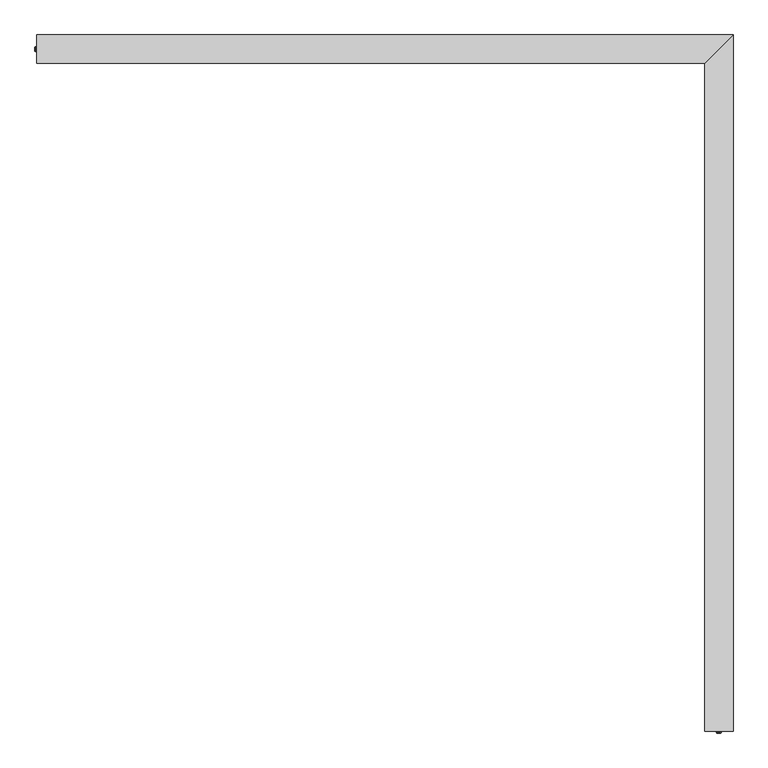
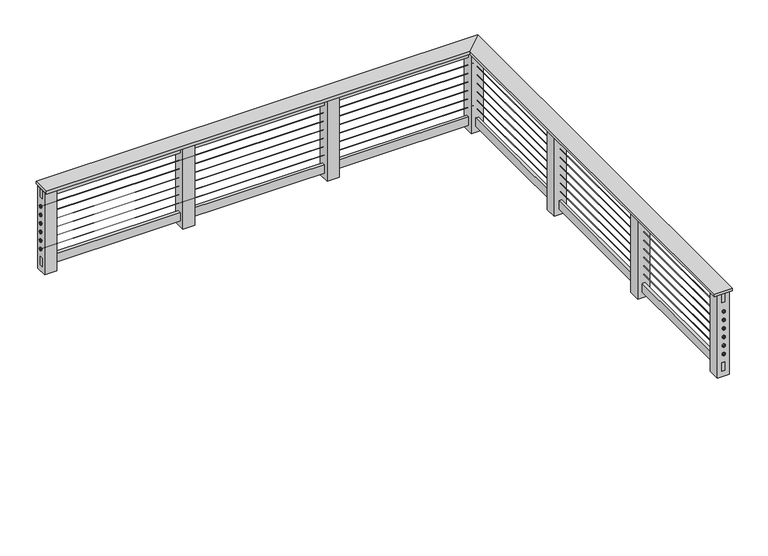
"""IFC4 building model written with IfcOpenShell, lengths in millimetres: railing geometry."""

from ifc_helpers import new_model, si_unit, point, frame, origin, origin_with_axes, place, context, project, spatial, polyline, circle_curve, ellipse_curve, trimmed, outline, extrude, faceted_brep, source, transform, mapped, element, save
from ifc_brep_helpers import plane_surface, cylinder_surface, revolved_surface, advanced_brep


def railing_3a9d6573(model_context):
    return source(origin(), model_context, "Body", "SolidModel", [
        faceted_brep([(-13704.6998867, 618.9400917, 762.0), (-13704.6998867, 771.3400917, 762.0), (-13704.6998867, 771.3400917, 736.6), (-13704.6998867, 618.9400917, 736.6), (-10123.2998867, 618.9400917, 762.0), (-9970.8998867, 771.3400917, 762.0), (-9970.8998867, 771.3400917, 736.6), (-10123.2998867, 618.9400917, 736.6), (-10123.2998867, -2962.4599083, 762.0), (-10123.2998867, -2962.4599083, 736.6), (-9970.8998867, -2962.4599083, 736.6), (-9970.8998867, -2962.4599083, 762.0)], [[[0, 1, 2, 3]], [[1, 0, 4, 5]], [[2, 1, 5, 6]], [[3, 2, 6, 7]], [[0, 3, 7, 4]], [[8, 9, 10, 11]], [[5, 4, 8, 11]], [[6, 5, 11, 10]], [[7, 6, 10, 9]], [[4, 7, 9, 8]]]),
        faceted_brep([(-13704.6998867, 682.4400917, 736.6), (-13704.6998867, 707.8400917, 736.6), (-13704.6998867, 707.8400917, 660.4), (-13704.6998867, 682.4400917, 660.4), (-10059.7998867, 682.4400917, 736.6), (-10034.3998867, 707.8400917, 736.6), (-10034.3998867, 707.8400917, 660.4), (-10059.7998867, 682.4400917, 660.4), (-10059.7998867, -2962.4599083, 736.6), (-10059.7998867, -2962.4599083, 660.4), (-10034.3998867, -2962.4599083, 660.4), (-10034.3998867, -2962.4599083, 736.6)], [[[0, 1, 2, 3]], [[1, 0, 4, 5]], [[2, 1, 5, 6]], [[3, 2, 6, 7]], [[0, 3, 7, 4]], [[8, 9, 10, 11]], [[5, 4, 8, 11]], [[6, 5, 11, 10]], [[7, 6, 10, 9]], [[4, 7, 9, 8]]]),
        advanced_brep(
        [(-13704.6998867, 696.6780114, 584.2), (-13704.6998867, 693.6021719, 584.2), (-10045.561967, 696.6780114, 584.2), (-10048.6378065, 693.6021719, 584.2), (-10045.561967, -2962.4599083, 584.2), (-10048.6378065, -2962.4599083, 584.2)],
        [
            (0, 1, circle_curve(frame((-13704.6998867, 695.1400917, 584.2), z_axis=(-1.0, 0.0, 0.0), x_axis=(0.0, -1.0, 0.0)), 1.5379197)),
            (1, 0, circle_curve(frame((-13704.6998867, 695.1400917, 584.2), z_axis=(-1.0, 0.0, 0.0), x_axis=(0.0, -1.0, 0.0)), 1.5379197)),
            (0, 2),
            (2, 3, ellipse_curve(frame((-10047.0998867, 695.1400917, 584.2), z_axis=(-0.7071067811865454, 0.7071067811865496, 0.0), x_axis=(-0.7071067811865497, -0.7071067811865454, 0.0)), 2.174947, 1.5379197)),
            (3, 1),
            (3, 2, ellipse_curve(frame((-10047.0998867, 695.1400917, 584.2), z_axis=(-0.7071067811865454, 0.7071067811865496, 0.0), x_axis=(-0.7071067811865497, -0.7071067811865454, 0.0)), 2.174947, 1.5379197)),
            (4, 5, circle_curve(frame((-10047.0998867, -2962.4599083, 584.2), z_axis=(0.0, -1.0, 0.0), x_axis=(-1.0, 0.0, 0.0)), 1.5379197)),
            (5, 4, circle_curve(frame((-10047.0998867, -2962.4599083, 584.2), z_axis=(0.0, -1.0, 0.0), x_axis=(-1.0, 0.0, 0.0)), 1.5379197)),
            (2, 4),
            (5, 3),
        ],
        [
            plane_surface(frame((-13704.6998867, 695.1400917, 584.2), z_axis=(-1.0, 0.0, 0.0), x_axis=(0.0, 1.0, 0.0))),
            cylinder_surface(frame((-13704.6998867, 695.1400917, 584.2), z_axis=(-1.0, 0.0, 0.0), x_axis=(0.0, -1.0, 0.0)), 1.5379197),
            plane_surface(frame((-10047.0998867, -2962.4599083, 584.2), z_axis=(0.0, -1.0, 0.0), x_axis=(0.0, 0.0, -1.0))),
            cylinder_surface(frame((-10047.0998867, 695.1400917, 584.2), z_axis=(0.0, 1.0, 0.0), x_axis=(-1.0, 0.0, 0.0)), 1.5379197),
        ],
        [
            (0, [[1, 2]]),
            (1, [[-1, 3, 4, 5]]),
            (1, [[-2, -5, 6, -3]]),
            (2, [[7, 8]]),
            (3, [[-4, 9, -8, 10]]),
            (3, [[-6, -10, -7, -9]]),
        ],
    ),
        advanced_brep(
        [(-13704.6998867, 696.6780114, 508.0), (-13704.6998867, 693.6021719, 508.0), (-10045.561967, 696.6780114, 508.0), (-10048.6378065, 693.6021719, 508.0), (-10045.561967, -2962.4599083, 508.0), (-10048.6378065, -2962.4599083, 508.0)],
        [
            (0, 1, circle_curve(frame((-13704.6998867, 695.1400917, 508.0), z_axis=(-1.0, 0.0, 0.0), x_axis=(0.0, -1.0, 0.0)), 1.5379197)),
            (1, 0, circle_curve(frame((-13704.6998867, 695.1400917, 508.0), z_axis=(-1.0, 0.0, 0.0), x_axis=(0.0, -1.0, 0.0)), 1.5379197)),
            (0, 2),
            (2, 3, ellipse_curve(frame((-10047.0998867, 695.1400917, 508.0), z_axis=(-0.7071067811865454, 0.7071067811865496, 0.0), x_axis=(-0.7071067811865497, -0.7071067811865454, 0.0)), 2.174947, 1.5379197)),
            (3, 1),
            (3, 2, ellipse_curve(frame((-10047.0998867, 695.1400917, 508.0), z_axis=(-0.7071067811865454, 0.7071067811865496, 0.0), x_axis=(-0.7071067811865497, -0.7071067811865454, 0.0)), 2.174947, 1.5379197)),
            (4, 5, circle_curve(frame((-10047.0998867, -2962.4599083, 508.0), z_axis=(0.0, -1.0, 0.0), x_axis=(-1.0, 0.0, 0.0)), 1.5379197)),
            (5, 4, circle_curve(frame((-10047.0998867, -2962.4599083, 508.0), z_axis=(0.0, -1.0, 0.0), x_axis=(-1.0, 0.0, 0.0)), 1.5379197)),
            (2, 4),
            (5, 3),
        ],
        [
            plane_surface(frame((-13704.6998867, 695.1400917, 508.0), z_axis=(-1.0, 0.0, 0.0), x_axis=(0.0, 1.0, 0.0))),
            cylinder_surface(frame((-13704.6998867, 695.1400917, 508.0), z_axis=(-1.0, 0.0, 0.0), x_axis=(0.0, -1.0, 0.0)), 1.5379197),
            plane_surface(frame((-10047.0998867, -2962.4599083, 508.0), z_axis=(0.0, -1.0, 0.0), x_axis=(0.0, 0.0, -1.0))),
            cylinder_surface(frame((-10047.0998867, 695.1400917, 508.0), z_axis=(0.0, 1.0, 0.0), x_axis=(-1.0, 0.0, 0.0)), 1.5379197),
        ],
        [
            (0, [[1, 2]]),
            (1, [[-1, 3, 4, 5]]),
            (1, [[-2, -5, 6, -3]]),
            (2, [[7, 8]]),
            (3, [[-4, 9, -8, 10]]),
            (3, [[-6, -10, -7, -9]]),
        ],
    ),
        advanced_brep(
        [(-13704.6998867, 696.6780114, 431.8), (-13704.6998867, 693.6021719, 431.8), (-10045.561967, 696.6780114, 431.8), (-10048.6378065, 693.6021719, 431.8), (-10045.561967, -2962.4599083, 431.8), (-10048.6378065, -2962.4599083, 431.8)],
        [
            (0, 1, circle_curve(frame((-13704.6998867, 695.1400917, 431.8), z_axis=(-1.0, 0.0, 0.0), x_axis=(0.0, -1.0, 0.0)), 1.5379197)),
            (1, 0, circle_curve(frame((-13704.6998867, 695.1400917, 431.8), z_axis=(-1.0, 0.0, 0.0), x_axis=(0.0, -1.0, 0.0)), 1.5379197)),
            (0, 2),
            (2, 3, ellipse_curve(frame((-10047.0998867, 695.1400917, 431.8), z_axis=(-0.7071067811865454, 0.7071067811865496, 0.0), x_axis=(-0.7071067811865497, -0.7071067811865454, 0.0)), 2.174947, 1.5379197)),
            (3, 1),
            (3, 2, ellipse_curve(frame((-10047.0998867, 695.1400917, 431.8), z_axis=(-0.7071067811865454, 0.7071067811865496, 0.0), x_axis=(-0.7071067811865497, -0.7071067811865454, 0.0)), 2.174947, 1.5379197)),
            (4, 5, circle_curve(frame((-10047.0998867, -2962.4599083, 431.8), z_axis=(0.0, -1.0, 0.0), x_axis=(-1.0, 0.0, 0.0)), 1.5379197)),
            (5, 4, circle_curve(frame((-10047.0998867, -2962.4599083, 431.8), z_axis=(0.0, -1.0, 0.0), x_axis=(-1.0, 0.0, 0.0)), 1.5379197)),
            (2, 4),
            (5, 3),
        ],
        [
            plane_surface(frame((-13704.6998867, 695.1400917, 431.8), z_axis=(-1.0, 0.0, 0.0), x_axis=(0.0, 1.0, 0.0))),
            cylinder_surface(frame((-13704.6998867, 695.1400917, 431.8), z_axis=(-1.0, 0.0, 0.0), x_axis=(0.0, -1.0, 0.0)), 1.5379197),
            plane_surface(frame((-10047.0998867, -2962.4599083, 431.8), z_axis=(0.0, -1.0, 0.0), x_axis=(0.0, 0.0, -1.0))),
            cylinder_surface(frame((-10047.0998867, 695.1400917, 431.8), z_axis=(0.0, 1.0, 0.0), x_axis=(-1.0, 0.0, 0.0)), 1.5379197),
        ],
        [
            (0, [[1, 2]]),
            (1, [[-1, 3, 4, 5]]),
            (1, [[-2, -5, 6, -3]]),
            (2, [[7, 8]]),
            (3, [[-4, 9, -8, 10]]),
            (3, [[-6, -10, -7, -9]]),
        ],
    ),
        advanced_brep(
        [(-13704.6998867, 696.6780114, 355.6), (-13704.6998867, 693.6021719, 355.6), (-10045.561967, 696.6780114, 355.6), (-10048.6378065, 693.6021719, 355.6), (-10045.561967, -2962.4599083, 355.6), (-10048.6378065, -2962.4599083, 355.6)],
        [
            (0, 1, circle_curve(frame((-13704.6998867, 695.1400917, 355.6), z_axis=(-1.0, 0.0, 0.0), x_axis=(0.0, -1.0, 0.0)), 1.5379197)),
            (1, 0, circle_curve(frame((-13704.6998867, 695.1400917, 355.6), z_axis=(-1.0, 0.0, 0.0), x_axis=(0.0, -1.0, 0.0)), 1.5379197)),
            (0, 2),
            (2, 3, ellipse_curve(frame((-10047.0998867, 695.1400917, 355.6), z_axis=(-0.7071067811865454, 0.7071067811865496, 0.0), x_axis=(-0.7071067811865497, -0.7071067811865454, 0.0)), 2.174947, 1.5379197)),
            (3, 1),
            (3, 2, ellipse_curve(frame((-10047.0998867, 695.1400917, 355.6), z_axis=(-0.7071067811865454, 0.7071067811865496, 0.0), x_axis=(-0.7071067811865497, -0.7071067811865454, 0.0)), 2.174947, 1.5379197)),
            (4, 5, circle_curve(frame((-10047.0998867, -2962.4599083, 355.6), z_axis=(0.0, -1.0, 0.0), x_axis=(-1.0, 0.0, 0.0)), 1.5379197)),
            (5, 4, circle_curve(frame((-10047.0998867, -2962.4599083, 355.6), z_axis=(0.0, -1.0, 0.0), x_axis=(-1.0, 0.0, 0.0)), 1.5379197)),
            (2, 4),
            (5, 3),
        ],
        [
            plane_surface(frame((-13704.6998867, 695.1400917, 355.6), z_axis=(-1.0, 0.0, 0.0), x_axis=(0.0, 1.0, 0.0))),
            cylinder_surface(frame((-13704.6998867, 695.1400917, 355.6), z_axis=(-1.0, 0.0, 0.0), x_axis=(0.0, -1.0, 0.0)), 1.5379197),
            plane_surface(frame((-10047.0998867, -2962.4599083, 355.6), z_axis=(0.0, -1.0, 0.0), x_axis=(0.0, 0.0, -1.0))),
            cylinder_surface(frame((-10047.0998867, 695.1400917, 355.6), z_axis=(0.0, 1.0, 0.0), x_axis=(-1.0, 0.0, 0.0)), 1.5379197),
        ],
        [
            (0, [[1, 2]]),
            (1, [[-1, 3, 4, 5]]),
            (1, [[-2, -5, 6, -3]]),
            (2, [[7, 8]]),
            (3, [[-4, 9, -8, 10]]),
            (3, [[-6, -10, -7, -9]]),
        ],
    ),
        advanced_brep(
        [(-13704.6998867, 696.6780114, 279.4), (-13704.6998867, 693.6021719, 279.4), (-10045.561967, 696.6780114, 279.4), (-10048.6378065, 693.6021719, 279.4), (-10045.561967, -2962.4599083, 279.4), (-10048.6378065, -2962.4599083, 279.4)],
        [
            (0, 1, circle_curve(frame((-13704.6998867, 695.1400917, 279.4), z_axis=(-1.0, 0.0, 0.0), x_axis=(0.0, -1.0, 0.0)), 1.5379197)),
            (1, 0, circle_curve(frame((-13704.6998867, 695.1400917, 279.4), z_axis=(-1.0, 0.0, 0.0), x_axis=(0.0, -1.0, 0.0)), 1.5379197)),
            (0, 2),
            (2, 3, ellipse_curve(frame((-10047.0998867, 695.1400917, 279.4), z_axis=(-0.7071067811865454, 0.7071067811865496, 0.0), x_axis=(-0.7071067811865497, -0.7071067811865454, 0.0)), 2.174947, 1.5379197)),
            (3, 1),
            (3, 2, ellipse_curve(frame((-10047.0998867, 695.1400917, 279.4), z_axis=(-0.7071067811865454, 0.7071067811865496, 0.0), x_axis=(-0.7071067811865497, -0.7071067811865454, 0.0)), 2.174947, 1.5379197)),
            (4, 5, circle_curve(frame((-10047.0998867, -2962.4599083, 279.4), z_axis=(0.0, -1.0, 0.0), x_axis=(-1.0, 0.0, 0.0)), 1.5379197)),
            (5, 4, circle_curve(frame((-10047.0998867, -2962.4599083, 279.4), z_axis=(0.0, -1.0, 0.0), x_axis=(-1.0, 0.0, 0.0)), 1.5379197)),
            (2, 4),
            (5, 3),
        ],
        [
            plane_surface(frame((-13704.6998867, 695.1400917, 279.4), z_axis=(-1.0, 0.0, 0.0), x_axis=(0.0, 1.0, 0.0))),
            cylinder_surface(frame((-13704.6998867, 695.1400917, 279.4), z_axis=(-1.0, 0.0, 0.0), x_axis=(0.0, -1.0, 0.0)), 1.5379197),
            plane_surface(frame((-10047.0998867, -2962.4599083, 279.4), z_axis=(0.0, -1.0, 0.0), x_axis=(0.0, 0.0, -1.0))),
            cylinder_surface(frame((-10047.0998867, 695.1400917, 279.4), z_axis=(0.0, 1.0, 0.0), x_axis=(-1.0, 0.0, 0.0)), 1.5379197),
        ],
        [
            (0, [[1, 2]]),
            (1, [[-1, 3, 4, 5]]),
            (1, [[-2, -5, 6, -3]]),
            (2, [[7, 8]]),
            (3, [[-4, 9, -8, 10]]),
            (3, [[-6, -10, -7, -9]]),
        ],
    ),
        advanced_brep(
        [(-13704.6998867, 696.6780114, 203.2), (-13704.6998867, 693.6021719, 203.2), (-10045.561967, 696.6780114, 203.2), (-10048.6378065, 693.6021719, 203.2), (-10045.561967, -2962.4599083, 203.2), (-10048.6378065, -2962.4599083, 203.2)],
        [
            (0, 1, circle_curve(frame((-13704.6998867, 695.1400917, 203.2), z_axis=(-1.0, 0.0, 0.0), x_axis=(0.0, -1.0, 0.0)), 1.5379197)),
            (1, 0, circle_curve(frame((-13704.6998867, 695.1400917, 203.2), z_axis=(-1.0, 0.0, 0.0), x_axis=(0.0, -1.0, 0.0)), 1.5379197)),
            (0, 2),
            (2, 3, ellipse_curve(frame((-10047.0998867, 695.1400917, 203.2), z_axis=(-0.7071067811865454, 0.7071067811865496, 0.0), x_axis=(-0.7071067811865497, -0.7071067811865454, 0.0)), 2.174947, 1.5379197)),
            (3, 1),
            (3, 2, ellipse_curve(frame((-10047.0998867, 695.1400917, 203.2), z_axis=(-0.7071067811865454, 0.7071067811865496, 0.0), x_axis=(-0.7071067811865497, -0.7071067811865454, 0.0)), 2.174947, 1.5379197)),
            (4, 5, circle_curve(frame((-10047.0998867, -2962.4599083, 203.2), z_axis=(0.0, -1.0, 0.0), x_axis=(-1.0, 0.0, 0.0)), 1.5379197)),
            (5, 4, circle_curve(frame((-10047.0998867, -2962.4599083, 203.2), z_axis=(0.0, -1.0, 0.0), x_axis=(-1.0, 0.0, 0.0)), 1.5379197)),
            (2, 4),
            (5, 3),
        ],
        [
            plane_surface(frame((-13704.6998867, 695.1400917, 203.2), z_axis=(-1.0, 0.0, 0.0), x_axis=(0.0, 1.0, 0.0))),
            cylinder_surface(frame((-13704.6998867, 695.1400917, 203.2), z_axis=(-1.0, 0.0, 0.0), x_axis=(0.0, -1.0, 0.0)), 1.5379197),
            plane_surface(frame((-10047.0998867, -2962.4599083, 203.2), z_axis=(0.0, -1.0, 0.0), x_axis=(0.0, 0.0, -1.0))),
            cylinder_surface(frame((-10047.0998867, 695.1400917, 203.2), z_axis=(0.0, 1.0, 0.0), x_axis=(-1.0, 0.0, 0.0)), 1.5379197),
        ],
        [
            (0, [[1, 2]]),
            (1, [[-1, 3, 4, 5]]),
            (1, [[-2, -5, 6, -3]]),
            (2, [[7, 8]]),
            (3, [[-4, 9, -8, 10]]),
            (3, [[-6, -10, -7, -9]]),
        ],
    ),
        faceted_brep([(-13704.6998867, 682.4400917, 127.0), (-13704.6998867, 707.8400917, 127.0), (-13704.6998867, 707.8400917, 50.8), (-13704.6998867, 682.4400917, 50.8), (-10059.7998867, 682.4400917, 127.0), (-10034.3998867, 707.8400917, 127.0), (-10034.3998867, 707.8400917, 50.8), (-10059.7998867, 682.4400917, 50.8), (-10059.7998867, -2962.4599083, 127.0), (-10059.7998867, -2962.4599083, 50.8), (-10034.3998867, -2962.4599083, 50.8), (-10034.3998867, -2962.4599083, 127.0)], [[[0, 1, 2, 3]], [[1, 0, 4, 5]], [[2, 1, 5, 6]], [[3, 2, 6, 7]], [[0, 3, 7, 4]], [[8, 9, 10, 11]], [[5, 4, 8, 11]], [[6, 5, 11, 10]], [[7, 6, 10, 9]], [[4, 7, 9, 8]]]),
        extrude(outline(polyline([(-10097.8998867, -1692.4599083), (-9996.2998867, -1692.4599083), (-9996.2998867, -1794.0599083), (-10097.8998867, -1794.0599083), (-10097.8998867, -1692.4599083)])), origin_with_axes(), (0.0, 0.0, 1.0), 736.6),
        extrude(outline(polyline([(-10097.8998867, -473.2599083), (-9996.2998867, -473.2599083), (-9996.2998867, -574.8599083), (-10097.8998867, -574.8599083), (-10097.8998867, -473.2599083)])), origin_with_axes(), (0.0, 0.0, 1.0), 736.6),
        extrude(outline(polyline([(-10097.8998867, 745.9400917), (-9996.2998867, 745.9400917), (-9996.2998867, 644.3400917), (-10097.8998867, 644.3400917), (-10097.8998867, 745.9400917)])), origin_with_axes(), (0.0, 0.0, 1.0), 736.6),
        extrude(outline(polyline([(-10097.8998867, 644.3400917), (-10097.8998867, 745.9400917), (-9996.2998867, 745.9400917), (-9996.2998867, 644.3400917), (-10097.8998867, 644.3400917)])), origin_with_axes(), (0.0, 0.0, 1.0), 736.6),
        extrude(outline(polyline([(-11317.0998867, 644.3400917), (-11317.0998867, 745.9400917), (-11215.4998867, 745.9400917), (-11215.4998867, 644.3400917), (-11317.0998867, 644.3400917)])), origin_with_axes(), (0.0, 0.0, 1.0), 736.6),
        extrude(outline(polyline([(-12536.2998867, 644.3400917), (-12536.2998867, 745.9400917), (-12434.6998867, 745.9400917), (-12434.6998867, 644.3400917), (-12536.2998867, 644.3400917)])), origin_with_axes(), (0.0, 0.0, 1.0), 736.6),
        advanced_brep(
        [(-10047.0998867, -2962.4599083, 279.0980455), (-10047.0998867, -2962.4599083, 266.3980455), (-10047.0998867, -2962.4599083, 291.7980455), (-10047.0998867, -2971.9849083, 269.5730455), (-10047.0998867, -2971.9849083, 279.0980455), (-10047.0998867, -2971.9849083, 288.6230455), (-10047.0998867, -2968.8099083, 266.3980455), (-10047.0998867, -2968.8099083, 291.7980455)],
        [
            (0, 1),
            (1, 2, circle_curve(frame((-10047.0998867, -2962.4599083, 279.0980455), z_axis=(0.0, 1.0, 0.0), x_axis=(0.0, 0.0, 1.0)), 12.7)),
            (2, 0),
            (2, 1, circle_curve(frame((-10047.0998867, -2962.4599083, 279.0980455), z_axis=(0.0, 1.0, 0.0), x_axis=(0.0, 0.0, 1.0)), 12.7)),
            (3, 4),
            (4, 5),
            (5, 3, circle_curve(frame((-10047.0998867, -2971.9849083, 279.0980455), z_axis=(0.0, -1.0, 0.0), x_axis=(0.0, 0.0, 1.0)), 9.525)),
            (3, 5, circle_curve(frame((-10047.0998867, -2971.9849083, 279.0980455), z_axis=(0.0, -1.0, 0.0), x_axis=(0.0, 0.0, 1.0)), 9.525)),
            (1, 6),
            (6, 7, circle_curve(frame((-10047.0998867, -2968.8099083, 279.0980455), z_axis=(0.0, 1.0, 0.0), x_axis=(0.0, 0.0, 1.0)), 12.7)),
            (7, 2),
            (7, 6, circle_curve(frame((-10047.0998867, -2968.8099083, 279.0980455), z_axis=(0.0, 1.0, 0.0), x_axis=(0.0, 0.0, 1.0)), 12.7)),
            (6, 3, circle_curve(frame((-10047.0998867, -2968.8099083, 269.5730455), z_axis=(-1.0, 0.0, 0.0), x_axis=(0.0, -1.0, 0.0)), 3.175)),
            (5, 7, circle_curve(frame((-10047.0998867, -2968.8099083, 288.6230455), z_axis=(-1.0, 0.0, 0.0), x_axis=(0.0, -1.0, 0.0)), 3.175)),
        ],
        [
            plane_surface(frame((-10047.0998867, -2962.4599083, 279.0980455), z_axis=(0.0, 1.0, 0.0), x_axis=(0.0, 0.0, 1.0))),
            plane_surface(frame((-10047.0998867, -2971.9849083, 279.0980455), z_axis=(0.0, -1.0, 0.0), x_axis=(0.0, 0.0, 1.0))),
            cylinder_surface(frame((-10047.0998867, -2962.4599083, 279.0980455), z_axis=(0.0, 1.0, 0.0), x_axis=(0.0, 0.0, 1.0)), 12.7),
            revolved_surface(trimmed(ellipse_curve(frame((-10047.0998867, -2968.8099083, 288.6230455), z_axis=(-1.0, 0.0, 0.0), x_axis=(0.0, -1.0, 0.0)), 3.175, 3.175), [point((-10047.0998867, -2971.9849083, 288.6230455))], [point((-10047.0998867, -2968.8099083, 291.7980455))], True, "CARTESIAN"), (-10047.0998867, -2962.4599083, 279.0980455), (0.0, 1.0, 0.0)),
        ],
        [
            (0, [[1, 2, 3]]),
            (0, [[-3, 4, -1]]),
            (1, [[5, 6, 7]]),
            (1, [[-6, -5, 8]]),
            (2, [[9, 10, 11, -2]]),
            (2, [[-11, 12, -9, -4]]),
            (3, [[13, -7, 14, -10]]),
            (3, [[-14, -8, -13, -12]]),
        ],
    ),
        advanced_brep(
        [(-10047.0998867, -2962.4599083, 355.2980455), (-10047.0998867, -2962.4599083, 342.5980455), (-10047.0998867, -2962.4599083, 367.9980455), (-10047.0998867, -2971.9849083, 345.7730455), (-10047.0998867, -2971.9849083, 355.2980455), (-10047.0998867, -2971.9849083, 364.8230455), (-10047.0998867, -2968.8099083, 342.5980455), (-10047.0998867, -2968.8099083, 367.9980455)],
        [
            (0, 1),
            (1, 2, circle_curve(frame((-10047.0998867, -2962.4599083, 355.2980455), z_axis=(0.0, 1.0, 0.0), x_axis=(0.0, 0.0, 1.0)), 12.7)),
            (2, 0),
            (2, 1, circle_curve(frame((-10047.0998867, -2962.4599083, 355.2980455), z_axis=(0.0, 1.0, 0.0), x_axis=(0.0, 0.0, 1.0)), 12.7)),
            (3, 4),
            (4, 5),
            (5, 3, circle_curve(frame((-10047.0998867, -2971.9849083, 355.2980455), z_axis=(0.0, -1.0, 0.0), x_axis=(0.0, 0.0, 1.0)), 9.525)),
            (3, 5, circle_curve(frame((-10047.0998867, -2971.9849083, 355.2980455), z_axis=(0.0, -1.0, 0.0), x_axis=(0.0, 0.0, 1.0)), 9.525)),
            (1, 6),
            (6, 7, circle_curve(frame((-10047.0998867, -2968.8099083, 355.2980455), z_axis=(0.0, 1.0, 0.0), x_axis=(0.0, 0.0, 1.0)), 12.7)),
            (7, 2),
            (7, 6, circle_curve(frame((-10047.0998867, -2968.8099083, 355.2980455), z_axis=(0.0, 1.0, 0.0), x_axis=(0.0, 0.0, 1.0)), 12.7)),
            (6, 3, circle_curve(frame((-10047.0998867, -2968.8099083, 345.7730455), z_axis=(-1.0, 0.0, 0.0), x_axis=(0.0, -1.0, 0.0)), 3.175)),
            (5, 7, circle_curve(frame((-10047.0998867, -2968.8099083, 364.8230455), z_axis=(-1.0, 0.0, 0.0), x_axis=(0.0, -1.0, 0.0)), 3.175)),
        ],
        [
            plane_surface(frame((-10047.0998867, -2962.4599083, 355.2980455), z_axis=(0.0, 1.0, 0.0), x_axis=(0.0, 0.0, 1.0))),
            plane_surface(frame((-10047.0998867, -2971.9849083, 355.2980455), z_axis=(0.0, -1.0, 0.0), x_axis=(0.0, 0.0, 1.0))),
            cylinder_surface(frame((-10047.0998867, -2962.4599083, 355.2980455), z_axis=(0.0, 1.0, 0.0), x_axis=(0.0, 0.0, 1.0)), 12.7),
            revolved_surface(trimmed(ellipse_curve(frame((-10047.0998867, -2968.8099083, 364.8230455), z_axis=(-1.0, 0.0, 0.0), x_axis=(0.0, -1.0, 0.0)), 3.175, 3.175), [point((-10047.0998867, -2971.9849083, 364.8230455))], [point((-10047.0998867, -2968.8099083, 367.9980455))], True, "CARTESIAN"), (-10047.0998867, -2962.4599083, 355.2980455), (0.0, 1.0, 0.0)),
        ],
        [
            (0, [[1, 2, 3]]),
            (0, [[-3, 4, -1]]),
            (1, [[5, 6, 7]]),
            (1, [[-6, -5, 8]]),
            (2, [[9, 10, 11, -2]]),
            (2, [[-11, 12, -9, -4]]),
            (3, [[13, -7, 14, -10]]),
            (3, [[-14, -8, -13, -12]]),
        ],
    ),
        advanced_brep(
        [(-10047.0998867, -2962.4599083, 431.4980455), (-10047.0998867, -2962.4599083, 418.7980455), (-10047.0998867, -2962.4599083, 444.1980455), (-10047.0998867, -2971.9849083, 421.9730455), (-10047.0998867, -2971.9849083, 431.4980455), (-10047.0998867, -2971.9849083, 441.0230455), (-10047.0998867, -2968.8099083, 418.7980455), (-10047.0998867, -2968.8099083, 444.1980455)],
        [
            (0, 1),
            (1, 2, circle_curve(frame((-10047.0998867, -2962.4599083, 431.4980455), z_axis=(0.0, 1.0, 0.0), x_axis=(0.0, 0.0, 1.0)), 12.7)),
            (2, 0),
            (2, 1, circle_curve(frame((-10047.0998867, -2962.4599083, 431.4980455), z_axis=(0.0, 1.0, 0.0), x_axis=(0.0, 0.0, 1.0)), 12.7)),
            (3, 4),
            (4, 5),
            (5, 3, circle_curve(frame((-10047.0998867, -2971.9849083, 431.4980455), z_axis=(0.0, -1.0, 0.0), x_axis=(0.0, 0.0, 1.0)), 9.525)),
            (3, 5, circle_curve(frame((-10047.0998867, -2971.9849083, 431.4980455), z_axis=(0.0, -1.0, 0.0), x_axis=(0.0, 0.0, 1.0)), 9.525)),
            (1, 6),
            (6, 7, circle_curve(frame((-10047.0998867, -2968.8099083, 431.4980455), z_axis=(0.0, 1.0, 0.0), x_axis=(0.0, 0.0, 1.0)), 12.7)),
            (7, 2),
            (7, 6, circle_curve(frame((-10047.0998867, -2968.8099083, 431.4980455), z_axis=(0.0, 1.0, 0.0), x_axis=(0.0, 0.0, 1.0)), 12.7)),
            (6, 3, circle_curve(frame((-10047.0998867, -2968.8099083, 421.9730455), z_axis=(-1.0, 0.0, 0.0), x_axis=(0.0, -1.0, 0.0)), 3.175)),
            (5, 7, circle_curve(frame((-10047.0998867, -2968.8099083, 441.0230455), z_axis=(-1.0, 0.0, 0.0), x_axis=(0.0, -1.0, 0.0)), 3.175)),
        ],
        [
            plane_surface(frame((-10047.0998867, -2962.4599083, 431.4980455), z_axis=(0.0, 1.0, 0.0), x_axis=(0.0, 0.0, 1.0))),
            plane_surface(frame((-10047.0998867, -2971.9849083, 431.4980455), z_axis=(0.0, -1.0, 0.0), x_axis=(0.0, 0.0, 1.0))),
            cylinder_surface(frame((-10047.0998867, -2962.4599083, 431.4980455), z_axis=(0.0, 1.0, 0.0), x_axis=(0.0, 0.0, 1.0)), 12.7),
            revolved_surface(trimmed(ellipse_curve(frame((-10047.0998867, -2968.8099083, 441.0230455), z_axis=(-1.0, 0.0, 0.0), x_axis=(0.0, -1.0, 0.0)), 3.175, 3.175), [point((-10047.0998867, -2971.9849083, 441.0230455))], [point((-10047.0998867, -2968.8099083, 444.1980455))], True, "CARTESIAN"), (-10047.0998867, -2962.4599083, 431.4980455), (0.0, 1.0, 0.0)),
        ],
        [
            (0, [[1, 2, 3]]),
            (0, [[-3, 4, -1]]),
            (1, [[5, 6, 7]]),
            (1, [[-6, -5, 8]]),
            (2, [[9, 10, 11, -2]]),
            (2, [[-11, 12, -9, -4]]),
            (3, [[13, -7, 14, -10]]),
            (3, [[-14, -8, -13, -12]]),
        ],
    ),
        advanced_brep(
        [(-10047.0998867, -2962.4599083, 507.6980455), (-10047.0998867, -2962.4599083, 494.9980455), (-10047.0998867, -2962.4599083, 520.3980455), (-10047.0998867, -2971.9849083, 498.1730455), (-10047.0998867, -2971.9849083, 507.6980455), (-10047.0998867, -2971.9849083, 517.2230455), (-10047.0998867, -2968.8099083, 494.9980455), (-10047.0998867, -2968.8099083, 520.3980455)],
        [
            (0, 1),
            (1, 2, circle_curve(frame((-10047.0998867, -2962.4599083, 507.6980455), z_axis=(0.0, 1.0, 0.0), x_axis=(0.0, 0.0, 1.0)), 12.7)),
            (2, 0),
            (2, 1, circle_curve(frame((-10047.0998867, -2962.4599083, 507.6980455), z_axis=(0.0, 1.0, 0.0), x_axis=(0.0, 0.0, 1.0)), 12.7)),
            (3, 4),
            (4, 5),
            (5, 3, circle_curve(frame((-10047.0998867, -2971.9849083, 507.6980455), z_axis=(0.0, -1.0, 0.0), x_axis=(0.0, 0.0, 1.0)), 9.525)),
            (3, 5, circle_curve(frame((-10047.0998867, -2971.9849083, 507.6980455), z_axis=(0.0, -1.0, 0.0), x_axis=(0.0, 0.0, 1.0)), 9.525)),
            (1, 6),
            (6, 7, circle_curve(frame((-10047.0998867, -2968.8099083, 507.6980455), z_axis=(0.0, 1.0, 0.0), x_axis=(0.0, 0.0, 1.0)), 12.7)),
            (7, 2),
            (7, 6, circle_curve(frame((-10047.0998867, -2968.8099083, 507.6980455), z_axis=(0.0, 1.0, 0.0), x_axis=(0.0, 0.0, 1.0)), 12.7)),
            (6, 3, circle_curve(frame((-10047.0998867, -2968.8099083, 498.1730455), z_axis=(-1.0, 0.0, 0.0), x_axis=(0.0, -1.0, 0.0)), 3.175)),
            (5, 7, circle_curve(frame((-10047.0998867, -2968.8099083, 517.2230455), z_axis=(-1.0, 0.0, 0.0), x_axis=(0.0, -1.0, 0.0)), 3.175)),
        ],
        [
            plane_surface(frame((-10047.0998867, -2962.4599083, 507.6980455), z_axis=(0.0, 1.0, 0.0), x_axis=(0.0, 0.0, 1.0))),
            plane_surface(frame((-10047.0998867, -2971.9849083, 507.6980455), z_axis=(0.0, -1.0, 0.0), x_axis=(0.0, 0.0, 1.0))),
            cylinder_surface(frame((-10047.0998867, -2962.4599083, 507.6980455), z_axis=(0.0, 1.0, 0.0), x_axis=(0.0, 0.0, 1.0)), 12.7),
            revolved_surface(trimmed(ellipse_curve(frame((-10047.0998867, -2968.8099083, 517.2230455), z_axis=(-1.0, 0.0, 0.0), x_axis=(0.0, -1.0, 0.0)), 3.175, 3.175), [point((-10047.0998867, -2971.9849083, 517.2230455))], [point((-10047.0998867, -2968.8099083, 520.3980455))], True, "CARTESIAN"), (-10047.0998867, -2962.4599083, 507.6980455), (0.0, 1.0, 0.0)),
        ],
        [
            (0, [[1, 2, 3]]),
            (0, [[-3, 4, -1]]),
            (1, [[5, 6, 7]]),
            (1, [[-6, -5, 8]]),
            (2, [[9, 10, 11, -2]]),
            (2, [[-11, 12, -9, -4]]),
            (3, [[13, -7, 14, -10]]),
            (3, [[-14, -8, -13, -12]]),
        ],
    ),
        advanced_brep(
        [(-10047.0998867, -2962.4599083, 583.8980455), (-10047.0998867, -2962.4599083, 571.1980455), (-10047.0998867, -2962.4599083, 596.5980455), (-10047.0998867, -2971.9849083, 574.3730455), (-10047.0998867, -2971.9849083, 583.8980455), (-10047.0998867, -2971.9849083, 593.4230455), (-10047.0998867, -2968.8099083, 571.1980455), (-10047.0998867, -2968.8099083, 596.5980455)],
        [
            (0, 1),
            (1, 2, circle_curve(frame((-10047.0998867, -2962.4599083, 583.8980455), z_axis=(0.0, 1.0, 0.0), x_axis=(0.0, 0.0, 1.0)), 12.7)),
            (2, 0),
            (2, 1, circle_curve(frame((-10047.0998867, -2962.4599083, 583.8980455), z_axis=(0.0, 1.0, 0.0), x_axis=(0.0, 0.0, 1.0)), 12.7)),
            (3, 4),
            (4, 5),
            (5, 3, circle_curve(frame((-10047.0998867, -2971.9849083, 583.8980455), z_axis=(0.0, -1.0, 0.0), x_axis=(0.0, 0.0, 1.0)), 9.525)),
            (3, 5, circle_curve(frame((-10047.0998867, -2971.9849083, 583.8980455), z_axis=(0.0, -1.0, 0.0), x_axis=(0.0, 0.0, 1.0)), 9.525)),
            (1, 6),
            (6, 7, circle_curve(frame((-10047.0998867, -2968.8099083, 583.8980455), z_axis=(0.0, 1.0, 0.0), x_axis=(0.0, 0.0, 1.0)), 12.7)),
            (7, 2),
            (7, 6, circle_curve(frame((-10047.0998867, -2968.8099083, 583.8980455), z_axis=(0.0, 1.0, 0.0), x_axis=(0.0, 0.0, 1.0)), 12.7)),
            (6, 3, circle_curve(frame((-10047.0998867, -2968.8099083, 574.3730455), z_axis=(-1.0, 0.0, 0.0), x_axis=(0.0, -1.0, 0.0)), 3.175)),
            (5, 7, circle_curve(frame((-10047.0998867, -2968.8099083, 593.4230455), z_axis=(-1.0, 0.0, 0.0), x_axis=(0.0, -1.0, 0.0)), 3.175)),
        ],
        [
            plane_surface(frame((-10047.0998867, -2962.4599083, 583.8980455), z_axis=(0.0, 1.0, 0.0), x_axis=(0.0, 0.0, 1.0))),
            plane_surface(frame((-10047.0998867, -2971.9849083, 583.8980455), z_axis=(0.0, -1.0, 0.0), x_axis=(0.0, 0.0, 1.0))),
            cylinder_surface(frame((-10047.0998867, -2962.4599083, 583.8980455), z_axis=(0.0, 1.0, 0.0), x_axis=(0.0, 0.0, 1.0)), 12.7),
            revolved_surface(trimmed(ellipse_curve(frame((-10047.0998867, -2968.8099083, 593.4230455), z_axis=(-1.0, 0.0, 0.0), x_axis=(0.0, -1.0, 0.0)), 3.175, 3.175), [point((-10047.0998867, -2971.9849083, 593.4230455))], [point((-10047.0998867, -2968.8099083, 596.5980455))], True, "CARTESIAN"), (-10047.0998867, -2962.4599083, 583.8980455), (0.0, 1.0, 0.0)),
        ],
        [
            (0, [[1, 2, 3]]),
            (0, [[-3, 4, -1]]),
            (1, [[5, 6, 7]]),
            (1, [[-6, -5, 8]]),
            (2, [[9, 10, 11, -2]]),
            (2, [[-11, 12, -9, -4]]),
            (3, [[13, -7, 14, -10]]),
            (3, [[-14, -8, -13, -12]]),
        ],
    ),
        advanced_brep(
        [(-10047.0998867, -2962.4599083, 202.8980455), (-10047.0998867, -2962.4599083, 190.1980455), (-10047.0998867, -2962.4599083, 215.5980455), (-10047.0998867, -2971.9849083, 193.3730455), (-10047.0998867, -2971.9849083, 202.8980455), (-10047.0998867, -2971.9849083, 212.4230455), (-10047.0998867, -2968.8099083, 190.1980455), (-10047.0998867, -2968.8099083, 215.5980455)],
        [
            (0, 1),
            (1, 2, circle_curve(frame((-10047.0998867, -2962.4599083, 202.8980455), z_axis=(0.0, 1.0, 0.0), x_axis=(0.0, 0.0, 1.0)), 12.7)),
            (2, 0),
            (2, 1, circle_curve(frame((-10047.0998867, -2962.4599083, 202.8980455), z_axis=(0.0, 1.0, 0.0), x_axis=(0.0, 0.0, 1.0)), 12.7)),
            (3, 4),
            (4, 5),
            (5, 3, circle_curve(frame((-10047.0998867, -2971.9849083, 202.8980455), z_axis=(0.0, -1.0, 0.0), x_axis=(0.0, 0.0, 1.0)), 9.525)),
            (3, 5, circle_curve(frame((-10047.0998867, -2971.9849083, 202.8980455), z_axis=(0.0, -1.0, 0.0), x_axis=(0.0, 0.0, 1.0)), 9.525)),
            (1, 6),
            (6, 7, circle_curve(frame((-10047.0998867, -2968.8099083, 202.8980455), z_axis=(0.0, 1.0, 0.0), x_axis=(0.0, 0.0, 1.0)), 12.7)),
            (7, 2),
            (7, 6, circle_curve(frame((-10047.0998867, -2968.8099083, 202.8980455), z_axis=(0.0, 1.0, 0.0), x_axis=(0.0, 0.0, 1.0)), 12.7)),
            (6, 3, circle_curve(frame((-10047.0998867, -2968.8099083, 193.3730455), z_axis=(-1.0, 0.0, 0.0), x_axis=(0.0, -1.0, 0.0)), 3.175)),
            (5, 7, circle_curve(frame((-10047.0998867, -2968.8099083, 212.4230455), z_axis=(-1.0, 0.0, 0.0), x_axis=(0.0, -1.0, 0.0)), 3.175)),
        ],
        [
            plane_surface(frame((-10047.0998867, -2962.4599083, 202.8980455), z_axis=(0.0, 1.0, 0.0), x_axis=(0.0, 0.0, 1.0))),
            plane_surface(frame((-10047.0998867, -2971.9849083, 202.8980455), z_axis=(0.0, -1.0, 0.0), x_axis=(0.0, 0.0, 1.0))),
            cylinder_surface(frame((-10047.0998867, -2962.4599083, 202.8980455), z_axis=(0.0, 1.0, 0.0), x_axis=(0.0, 0.0, 1.0)), 12.7),
            revolved_surface(trimmed(ellipse_curve(frame((-10047.0998867, -2968.8099083, 212.4230455), z_axis=(-1.0, 0.0, 0.0), x_axis=(0.0, -1.0, 0.0)), 3.175, 3.175), [point((-10047.0998867, -2971.9849083, 212.4230455))], [point((-10047.0998867, -2968.8099083, 215.5980455))], True, "CARTESIAN"), (-10047.0998867, -2962.4599083, 202.8980455), (0.0, 1.0, 0.0)),
        ],
        [
            (0, [[1, 2, 3]]),
            (0, [[-3, 4, -1]]),
            (1, [[5, 6, 7]]),
            (1, [[-6, -5, 8]]),
            (2, [[9, 10, 11, -2]]),
            (2, [[-11, 12, -9, -4]]),
            (3, [[13, -7, 14, -10]]),
            (3, [[-14, -8, -13, -12]]),
        ],
    ),
        extrude(outline(polyline([(-10097.8998867, -2860.8599083), (-9996.2998867, -2860.8599083), (-9996.2998867, -2962.4599083), (-10097.8998867, -2962.4599083), (-10097.8998867, -2860.8599083)])), origin_with_axes(), (0.0, 0.0, 1.0), 736.6),
        advanced_brep(
        [(-13704.6998867, 695.1400917, 279.3957018), (-13704.6998867, 695.1400917, 292.0957018), (-13704.6998867, 695.1400917, 266.6957018), (-13714.2248867, 695.1400917, 269.9204941), (-13714.2248867, 695.1400917, 288.8709095), (-13714.2248867, 695.1400917, 279.3957018), (-13711.0498867, 695.1400917, 292.0957018), (-13711.0498867, 695.1400917, 266.6957018)],
        [
            (0, 1),
            (1, 2, circle_curve(frame((-13704.6998867, 695.1400917, 279.3957018), z_axis=(1.0, 0.0, 0.0), x_axis=(0.0, 0.0, 1.0)), 12.7)),
            (2, 0),
            (2, 1, circle_curve(frame((-13704.6998867, 695.1400917, 279.3957018), z_axis=(1.0, 0.0, 0.0), x_axis=(0.0, 0.0, 1.0)), 12.7)),
            (3, 4, circle_curve(frame((-13714.2248867, 695.1400917, 279.3957018), z_axis=(-1.0, 0.0, 0.0), x_axis=(0.0, 0.0, 1.0)), 9.4752077)),
            (4, 5),
            (5, 3),
            (4, 3, circle_curve(frame((-13714.2248867, 695.1400917, 279.3957018), z_axis=(-1.0, 0.0, 0.0), x_axis=(0.0, 0.0, 1.0)), 9.4752077)),
            (1, 6),
            (6, 7, circle_curve(frame((-13711.0498867, 695.1400917, 279.3957018), z_axis=(1.0, 0.0, 0.0), x_axis=(0.0, 0.0, 1.0)), 12.7)),
            (7, 2),
            (7, 6, circle_curve(frame((-13711.0498867, 695.1400917, 279.3957018), z_axis=(1.0, 0.0, 0.0), x_axis=(0.0, 0.0, 1.0)), 12.7)),
            (6, 4, circle_curve(frame((-13711.0498867, 695.1400917, 288.8709095), z_axis=(0.0, -1.0, 0.0), x_axis=(-1.0, 0.0, 0.0)), 3.175)),
            (3, 7, circle_curve(frame((-13711.0498867, 695.1400917, 269.9204941), z_axis=(0.0, -1.0, 0.0), x_axis=(-1.0, 0.0, 0.0)), 3.175)),
        ],
        [
            plane_surface(frame((-13704.6998867, 695.1400917, 279.3957018), z_axis=(1.0, 0.0, 0.0), x_axis=(0.0, 0.0, 1.0))),
            plane_surface(frame((-13714.2248867, 695.1400917, 279.3957018), z_axis=(-1.0, 0.0, 0.0), x_axis=(0.0, 0.0, 1.0))),
            cylinder_surface(frame((-13704.6998867, 695.1400917, 279.3957018), z_axis=(1.0, 0.0, 0.0), x_axis=(0.0, 0.0, 1.0)), 12.7),
            revolved_surface(trimmed(ellipse_curve(frame((-13711.0498867, 695.1400917, 288.8709095), z_axis=(0.0, 1.0, 0.0), x_axis=(-1.0, 0.0, 0.0)), 3.175, 3.175), [point((-13714.2248867, 695.1400917, 288.8709095))], [point((-13711.0498867, 695.1400917, 292.0459095))], True, "CARTESIAN"), (-13704.6998867, 695.1400917, 279.3957018), (1.0, 0.0, 0.0)),
        ],
        [
            (0, [[1, 2, 3]]),
            (0, [[-3, 4, -1]]),
            (1, [[5, 6, 7]]),
            (1, [[8, -7, -6]]),
            (2, [[-2, 9, 10, 11]]),
            (2, [[-4, -11, 12, -9]]),
            (3, [[-10, 13, -5, 14]]),
            (3, [[-12, -14, -8, -13]]),
        ],
    ),
        advanced_brep(
        [(-13704.6998867, 695.1400917, 355.5957018), (-13704.6998867, 695.1400917, 368.2957018), (-13704.6998867, 695.1400917, 342.8957018), (-13714.2248867, 695.1400917, 346.1204941), (-13714.2248867, 695.1400917, 365.0709095), (-13714.2248867, 695.1400917, 355.5957018), (-13711.0498867, 695.1400917, 368.2957018), (-13711.0498867, 695.1400917, 342.8957018)],
        [
            (0, 1),
            (1, 2, circle_curve(frame((-13704.6998867, 695.1400917, 355.5957018), z_axis=(1.0, 0.0, 0.0), x_axis=(0.0, 0.0, 1.0)), 12.7)),
            (2, 0),
            (2, 1, circle_curve(frame((-13704.6998867, 695.1400917, 355.5957018), z_axis=(1.0, 0.0, 0.0), x_axis=(0.0, 0.0, 1.0)), 12.7)),
            (3, 4, circle_curve(frame((-13714.2248867, 695.1400917, 355.5957018), z_axis=(-1.0, 0.0, 0.0), x_axis=(0.0, 0.0, 1.0)), 9.4752077)),
            (4, 5),
            (5, 3),
            (4, 3, circle_curve(frame((-13714.2248867, 695.1400917, 355.5957018), z_axis=(-1.0, 0.0, 0.0), x_axis=(0.0, 0.0, 1.0)), 9.4752077)),
            (1, 6),
            (6, 7, circle_curve(frame((-13711.0498867, 695.1400917, 355.5957018), z_axis=(1.0, 0.0, 0.0), x_axis=(0.0, 0.0, 1.0)), 12.7)),
            (7, 2),
            (7, 6, circle_curve(frame((-13711.0498867, 695.1400917, 355.5957018), z_axis=(1.0, 0.0, 0.0), x_axis=(0.0, 0.0, 1.0)), 12.7)),
            (6, 4, circle_curve(frame((-13711.0498867, 695.1400917, 365.0709095), z_axis=(0.0, -1.0, 0.0), x_axis=(-1.0, 0.0, 0.0)), 3.175)),
            (3, 7, circle_curve(frame((-13711.0498867, 695.1400917, 346.1204941), z_axis=(0.0, -1.0, 0.0), x_axis=(-1.0, 0.0, 0.0)), 3.175)),
        ],
        [
            plane_surface(frame((-13704.6998867, 695.1400917, 355.5957018), z_axis=(1.0, 0.0, 0.0), x_axis=(0.0, 0.0, 1.0))),
            plane_surface(frame((-13714.2248867, 695.1400917, 355.5957018), z_axis=(-1.0, 0.0, 0.0), x_axis=(0.0, 0.0, 1.0))),
            cylinder_surface(frame((-13704.6998867, 695.1400917, 355.5957018), z_axis=(1.0, 0.0, 0.0), x_axis=(0.0, 0.0, 1.0)), 12.7),
            revolved_surface(trimmed(ellipse_curve(frame((-13711.0498867, 695.1400917, 365.0709095), z_axis=(0.0, 1.0, 0.0), x_axis=(-1.0, 0.0, 0.0)), 3.175, 3.175), [point((-13714.2248867, 695.1400917, 365.0709095))], [point((-13711.0498867, 695.1400917, 368.2459095))], True, "CARTESIAN"), (-13704.6998867, 695.1400917, 355.5957018), (1.0, 0.0, 0.0)),
        ],
        [
            (0, [[1, 2, 3]]),
            (0, [[-3, 4, -1]]),
            (1, [[5, 6, 7]]),
            (1, [[8, -7, -6]]),
            (2, [[-2, 9, 10, 11]]),
            (2, [[-4, -11, 12, -9]]),
            (3, [[-10, 13, -5, 14]]),
            (3, [[-12, -14, -8, -13]]),
        ],
    ),
        advanced_brep(
        [(-13704.6998867, 695.1400917, 431.7957018), (-13704.6998867, 695.1400917, 444.4957018), (-13704.6998867, 695.1400917, 419.0957018), (-13714.2248867, 695.1400917, 422.3204941), (-13714.2248867, 695.1400917, 441.2709095), (-13714.2248867, 695.1400917, 431.7957018), (-13711.0498867, 695.1400917, 444.4957018), (-13711.0498867, 695.1400917, 419.0957018)],
        [
            (0, 1),
            (1, 2, circle_curve(frame((-13704.6998867, 695.1400917, 431.7957018), z_axis=(1.0, 0.0, 0.0), x_axis=(0.0, 0.0, 1.0)), 12.7)),
            (2, 0),
            (2, 1, circle_curve(frame((-13704.6998867, 695.1400917, 431.7957018), z_axis=(1.0, 0.0, 0.0), x_axis=(0.0, 0.0, 1.0)), 12.7)),
            (3, 4, circle_curve(frame((-13714.2248867, 695.1400917, 431.7957018), z_axis=(-1.0, 0.0, 0.0), x_axis=(0.0, 0.0, 1.0)), 9.4752077)),
            (4, 5),
            (5, 3),
            (4, 3, circle_curve(frame((-13714.2248867, 695.1400917, 431.7957018), z_axis=(-1.0, 0.0, 0.0), x_axis=(0.0, 0.0, 1.0)), 9.4752077)),
            (1, 6),
            (6, 7, circle_curve(frame((-13711.0498867, 695.1400917, 431.7957018), z_axis=(1.0, 0.0, 0.0), x_axis=(0.0, 0.0, 1.0)), 12.7)),
            (7, 2),
            (7, 6, circle_curve(frame((-13711.0498867, 695.1400917, 431.7957018), z_axis=(1.0, 0.0, 0.0), x_axis=(0.0, 0.0, 1.0)), 12.7)),
            (6, 4, circle_curve(frame((-13711.0498867, 695.1400917, 441.2709095), z_axis=(0.0, -1.0, 0.0), x_axis=(-1.0, 0.0, 0.0)), 3.175)),
            (3, 7, circle_curve(frame((-13711.0498867, 695.1400917, 422.3204941), z_axis=(0.0, -1.0, 0.0), x_axis=(-1.0, 0.0, 0.0)), 3.175)),
        ],
        [
            plane_surface(frame((-13704.6998867, 695.1400917, 431.7957018), z_axis=(1.0, 0.0, 0.0), x_axis=(0.0, 0.0, 1.0))),
            plane_surface(frame((-13714.2248867, 695.1400917, 431.7957018), z_axis=(-1.0, 0.0, 0.0), x_axis=(0.0, 0.0, 1.0))),
            cylinder_surface(frame((-13704.6998867, 695.1400917, 431.7957018), z_axis=(1.0, 0.0, 0.0), x_axis=(0.0, 0.0, 1.0)), 12.7),
            revolved_surface(trimmed(ellipse_curve(frame((-13711.0498867, 695.1400917, 441.2709095), z_axis=(0.0, 1.0, 0.0), x_axis=(-1.0, 0.0, 0.0)), 3.175, 3.175), [point((-13714.2248867, 695.1400917, 441.2709095))], [point((-13711.0498867, 695.1400917, 444.4459095))], True, "CARTESIAN"), (-13704.6998867, 695.1400917, 431.7957018), (1.0, 0.0, 0.0)),
        ],
        [
            (0, [[1, 2, 3]]),
            (0, [[-3, 4, -1]]),
            (1, [[5, 6, 7]]),
            (1, [[8, -7, -6]]),
            (2, [[-2, 9, 10, 11]]),
            (2, [[-4, -11, 12, -9]]),
            (3, [[-10, 13, -5, 14]]),
            (3, [[-12, -14, -8, -13]]),
        ],
    ),
        advanced_brep(
        [(-13704.6998867, 695.1400917, 507.9957018), (-13704.6998867, 695.1400917, 520.6957018), (-13704.6998867, 695.1400917, 495.2957018), (-13714.2248867, 695.1400917, 498.5204941), (-13714.2248867, 695.1400917, 517.4709095), (-13714.2248867, 695.1400917, 507.9957018), (-13711.0498867, 695.1400917, 520.6957018), (-13711.0498867, 695.1400917, 495.2957018)],
        [
            (0, 1),
            (1, 2, circle_curve(frame((-13704.6998867, 695.1400917, 507.9957018), z_axis=(1.0, 0.0, 0.0), x_axis=(0.0, 0.0, 1.0)), 12.7)),
            (2, 0),
            (2, 1, circle_curve(frame((-13704.6998867, 695.1400917, 507.9957018), z_axis=(1.0, 0.0, 0.0), x_axis=(0.0, 0.0, 1.0)), 12.7)),
            (3, 4, circle_curve(frame((-13714.2248867, 695.1400917, 507.9957018), z_axis=(-1.0, 0.0, 0.0), x_axis=(0.0, 0.0, 1.0)), 9.4752077)),
            (4, 5),
            (5, 3),
            (4, 3, circle_curve(frame((-13714.2248867, 695.1400917, 507.9957018), z_axis=(-1.0, 0.0, 0.0), x_axis=(0.0, 0.0, 1.0)), 9.4752077)),
            (1, 6),
            (6, 7, circle_curve(frame((-13711.0498867, 695.1400917, 507.9957018), z_axis=(1.0, 0.0, 0.0), x_axis=(0.0, 0.0, 1.0)), 12.7)),
            (7, 2),
            (7, 6, circle_curve(frame((-13711.0498867, 695.1400917, 507.9957018), z_axis=(1.0, 0.0, 0.0), x_axis=(0.0, 0.0, 1.0)), 12.7)),
            (6, 4, circle_curve(frame((-13711.0498867, 695.1400917, 517.4709095), z_axis=(0.0, -1.0, 0.0), x_axis=(-1.0, 0.0, 0.0)), 3.175)),
            (3, 7, circle_curve(frame((-13711.0498867, 695.1400917, 498.5204941), z_axis=(0.0, -1.0, 0.0), x_axis=(-1.0, 0.0, 0.0)), 3.175)),
        ],
        [
            plane_surface(frame((-13704.6998867, 695.1400917, 507.9957018), z_axis=(1.0, 0.0, 0.0), x_axis=(0.0, 0.0, 1.0))),
            plane_surface(frame((-13714.2248867, 695.1400917, 507.9957018), z_axis=(-1.0, 0.0, 0.0), x_axis=(0.0, 0.0, 1.0))),
            cylinder_surface(frame((-13704.6998867, 695.1400917, 507.9957018), z_axis=(1.0, 0.0, 0.0), x_axis=(0.0, 0.0, 1.0)), 12.7),
            revolved_surface(trimmed(ellipse_curve(frame((-13711.0498867, 695.1400917, 517.4709095), z_axis=(0.0, 1.0, 0.0), x_axis=(-1.0, 0.0, 0.0)), 3.175, 3.175), [point((-13714.2248867, 695.1400917, 517.4709095))], [point((-13711.0498867, 695.1400917, 520.6459095))], True, "CARTESIAN"), (-13704.6998867, 695.1400917, 507.9957018), (1.0, 0.0, 0.0)),
        ],
        [
            (0, [[1, 2, 3]]),
            (0, [[-3, 4, -1]]),
            (1, [[5, 6, 7]]),
            (1, [[8, -7, -6]]),
            (2, [[-2, 9, 10, 11]]),
            (2, [[-4, -11, 12, -9]]),
            (3, [[-10, 13, -5, 14]]),
            (3, [[-12, -14, -8, -13]]),
        ],
    ),
        advanced_brep(
        [(-13704.6998867, 695.1400917, 584.1957018), (-13704.6998867, 695.1400917, 596.8957018), (-13704.6998867, 695.1400917, 571.4957018), (-13714.2248867, 695.1400917, 574.7204941), (-13714.2248867, 695.1400917, 593.6709095), (-13714.2248867, 695.1400917, 584.1957018), (-13711.0498867, 695.1400917, 596.8957018), (-13711.0498867, 695.1400917, 571.4957018)],
        [
            (0, 1),
            (1, 2, circle_curve(frame((-13704.6998867, 695.1400917, 584.1957018), z_axis=(1.0, 0.0, 0.0), x_axis=(0.0, 0.0, 1.0)), 12.7)),
            (2, 0),
            (2, 1, circle_curve(frame((-13704.6998867, 695.1400917, 584.1957018), z_axis=(1.0, 0.0, 0.0), x_axis=(0.0, 0.0, 1.0)), 12.7)),
            (3, 4, circle_curve(frame((-13714.2248867, 695.1400917, 584.1957018), z_axis=(-1.0, 0.0, 0.0), x_axis=(0.0, 0.0, 1.0)), 9.4752077)),
            (4, 5),
            (5, 3),
            (4, 3, circle_curve(frame((-13714.2248867, 695.1400917, 584.1957018), z_axis=(-1.0, 0.0, 0.0), x_axis=(0.0, 0.0, 1.0)), 9.4752077)),
            (1, 6),
            (6, 7, circle_curve(frame((-13711.0498867, 695.1400917, 584.1957018), z_axis=(1.0, 0.0, 0.0), x_axis=(0.0, 0.0, 1.0)), 12.7)),
            (7, 2),
            (7, 6, circle_curve(frame((-13711.0498867, 695.1400917, 584.1957018), z_axis=(1.0, 0.0, 0.0), x_axis=(0.0, 0.0, 1.0)), 12.7)),
            (6, 4, circle_curve(frame((-13711.0498867, 695.1400917, 593.6709095), z_axis=(0.0, -1.0, 0.0), x_axis=(-1.0, 0.0, 0.0)), 3.175)),
            (3, 7, circle_curve(frame((-13711.0498867, 695.1400917, 574.7204941), z_axis=(0.0, -1.0, 0.0), x_axis=(-1.0, 0.0, 0.0)), 3.175)),
        ],
        [
            plane_surface(frame((-13704.6998867, 695.1400917, 584.1957018), z_axis=(1.0, 0.0, 0.0), x_axis=(0.0, 0.0, 1.0))),
            plane_surface(frame((-13714.2248867, 695.1400917, 584.1957018), z_axis=(-1.0, 0.0, 0.0), x_axis=(0.0, 0.0, 1.0))),
            cylinder_surface(frame((-13704.6998867, 695.1400917, 584.1957018), z_axis=(1.0, 0.0, 0.0), x_axis=(0.0, 0.0, 1.0)), 12.7),
            revolved_surface(trimmed(ellipse_curve(frame((-13711.0498867, 695.1400917, 593.6709095), z_axis=(0.0, 1.0, 0.0), x_axis=(-1.0, 0.0, 0.0)), 3.175, 3.175), [point((-13714.2248867, 695.1400917, 593.6709095))], [point((-13711.0498867, 695.1400917, 596.8459095))], True, "CARTESIAN"), (-13704.6998867, 695.1400917, 584.1957018), (1.0, 0.0, 0.0)),
        ],
        [
            (0, [[1, 2, 3]]),
            (0, [[-3, 4, -1]]),
            (1, [[5, 6, 7]]),
            (1, [[8, -7, -6]]),
            (2, [[-2, 9, 10, 11]]),
            (2, [[-4, -11, 12, -9]]),
            (3, [[-10, 13, -5, 14]]),
            (3, [[-12, -14, -8, -13]]),
        ],
    ),
        advanced_brep(
        [(-13704.6998867, 695.1400917, 203.1957018), (-13704.6998867, 695.1400917, 215.8957018), (-13704.6998867, 695.1400917, 190.4957018), (-13714.2248867, 695.1400917, 193.7204941), (-13714.2248867, 695.1400917, 212.6709095), (-13714.2248867, 695.1400917, 203.1957018), (-13711.0498867, 695.1400917, 215.8957018), (-13711.0498867, 695.1400917, 190.4957018)],
        [
            (0, 1),
            (1, 2, circle_curve(frame((-13704.6998867, 695.1400917, 203.1957018), z_axis=(1.0, 0.0, 0.0), x_axis=(0.0, 0.0, 1.0)), 12.7)),
            (2, 0),
            (2, 1, circle_curve(frame((-13704.6998867, 695.1400917, 203.1957018), z_axis=(1.0, 0.0, 0.0), x_axis=(0.0, 0.0, 1.0)), 12.7)),
            (3, 4, circle_curve(frame((-13714.2248867, 695.1400917, 203.1957018), z_axis=(-1.0, 0.0, 0.0), x_axis=(0.0, 0.0, 1.0)), 9.4752077)),
            (4, 5),
            (5, 3),
            (4, 3, circle_curve(frame((-13714.2248867, 695.1400917, 203.1957018), z_axis=(-1.0, 0.0, 0.0), x_axis=(0.0, 0.0, 1.0)), 9.4752077)),
            (1, 6),
            (6, 7, circle_curve(frame((-13711.0498867, 695.1400917, 203.1957018), z_axis=(1.0, 0.0, 0.0), x_axis=(0.0, 0.0, 1.0)), 12.7)),
            (7, 2),
            (7, 6, circle_curve(frame((-13711.0498867, 695.1400917, 203.1957018), z_axis=(1.0, 0.0, 0.0), x_axis=(0.0, 0.0, 1.0)), 12.7)),
            (6, 4, circle_curve(frame((-13711.0498867, 695.1400917, 212.6709095), z_axis=(0.0, -1.0, 0.0), x_axis=(-1.0, 0.0, 0.0)), 3.175)),
            (3, 7, circle_curve(frame((-13711.0498867, 695.1400917, 193.7204941), z_axis=(0.0, -1.0, 0.0), x_axis=(-1.0, 0.0, 0.0)), 3.175)),
        ],
        [
            plane_surface(frame((-13704.6998867, 695.1400917, 203.1957018), z_axis=(1.0, 0.0, 0.0), x_axis=(0.0, 0.0, 1.0))),
            plane_surface(frame((-13714.2248867, 695.1400917, 203.1957018), z_axis=(-1.0, 0.0, 0.0), x_axis=(0.0, 0.0, 1.0))),
            cylinder_surface(frame((-13704.6998867, 695.1400917, 203.1957018), z_axis=(1.0, 0.0, 0.0), x_axis=(0.0, 0.0, 1.0)), 12.7),
            revolved_surface(trimmed(ellipse_curve(frame((-13711.0498867, 695.1400917, 212.6709095), z_axis=(0.0, 1.0, 0.0), x_axis=(-1.0, 0.0, 0.0)), 3.175, 3.175), [point((-13714.2248867, 695.1400917, 212.6709095))], [point((-13711.0498867, 695.1400917, 215.8459095))], True, "CARTESIAN"), (-13704.6998867, 695.1400917, 203.1957018), (1.0, 0.0, 0.0)),
        ],
        [
            (0, [[1, 2, 3]]),
            (0, [[-3, 4, -1]]),
            (1, [[5, 6, 7]]),
            (1, [[8, -7, -6]]),
            (2, [[-2, 9, 10, 11]]),
            (2, [[-4, -11, 12, -9]]),
            (3, [[-10, 13, -5, 14]]),
            (3, [[-12, -14, -8, -13]]),
        ],
    ),
        extrude(outline(polyline([(-13704.6998867, 644.3400917), (-13704.6998867, 745.9400917), (-13603.0998867, 745.9400917), (-13603.0998867, 644.3400917), (-13704.6998867, 644.3400917)])), origin_with_axes(), (0.0, 0.0, 1.0), 736.6),
    ])


if __name__ == "__main__":
    model = new_model("IFC4")
    model_context = context("Model", 3, world=origin())
    ifc_project = project(units=[si_unit("LENGTHUNIT", "METRE", prefix="MILLI")], contexts=[model_context])
    site = spatial("IfcSite", under=ifc_project)
    building = spatial("IfcBuilding", under=site)
    placement = place(None, origin())
    railing_shape = railing_3a9d6573(model_context)
    element("IfcRailing", 1, at=placement, inside=building, context=model_context, shape_type="MappedRepresentation", body=[
        mapped(railing_shape, transform((0.0, 0.0, 0.0), x_axis=(1.0, 0.0, 0.0), y_axis=(0.0, 1.0, 0.0), z_axis=(0.0, 0.0, 1.0))),
    ])
    save(model, "model.ifc")
